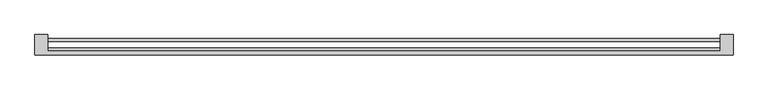
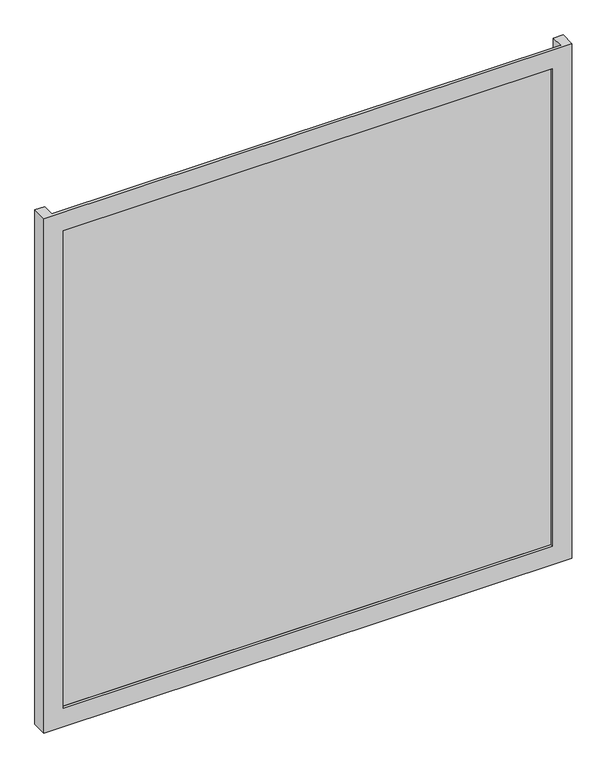
"""IFC4 building model written with IfcOpenShell, lengths in millimetres: plate geometry."""

from ifc_helpers import new_model, si_unit, origin, origin_with_axes, place, context, project, spatial, polyline, outline, extrude, faceted_brep, source, transform, mapped, element, save


def plate_339e4ba4(model_context):
    return source(origin(), model_context, "Body", "SolidModel", [
        faceted_brep([(675.0, -50.8, -50.0), (675.0, -89.8, -50.0), (-675.0, -89.8, -50.0), (-675.0, -50.8, -50.0), (-650.0, -50.8, -50.0), (-650.0, -82.8, -50.0), (650.0, -82.8, -50.0), (650.0, -50.8, -50.0), (625.0, -89.8, 0.0), (625.0, -82.8, 0.0), (-625.0, -82.8, 0.0), (-625.0, -89.8, 0.0), (675.0, -89.8, 1340.0), (-675.0, -89.8, 1340.0), (-625.0, -89.8, 1290.0), (625.0, -89.8, 1290.0), (-650.0, -82.8, 1340.0), (650.0, -82.8, 1340.0), (625.0, -82.8, 1290.0), (-625.0, -82.8, 1290.0), (675.0, -50.8, 1340.0), (650.0, -50.8, 1340.0), (-650.0, -50.8, 1340.0), (-675.0, -50.8, 1340.0)], [[[0, 1, 2, 3, 4, 5, 6, 7]], [[8, 9, 10, 11]], [[12, 13, 2, 1], [11, 14, 15, 8]], [[16, 17, 6, 5], [9, 18, 19, 10]], [[20, 21, 17, 16, 22, 23, 13, 12]], [[20, 0, 7, 21]], [[21, 7, 6, 17]], [[8, 15, 18, 9]], [[12, 1, 0, 20]], [[22, 4, 3, 23]], [[16, 5, 4, 22]], [[10, 19, 14, 11]], [[23, 3, 2, 13]], [[18, 15, 14, 19]]]),
        extrude(outline(polyline([(650.0, -76.8), (650.0, -82.8), (-650.0, -82.8), (-650.0, -76.8), (650.0, -76.8)])), origin_with_axes(), (0.0, 0.0, 1.0), 1290.0),
        extrude(outline(polyline([(650.0, -64.2), (-650.0, -64.2), (-650.0, -57.8), (650.0, -57.8), (650.0, -64.2)])), origin_with_axes(), (0.0, 0.0, 1.0), 1290.0),
    ])


if __name__ == "__main__":
    model = new_model("IFC4")
    model_context = context("Model", 3, world=origin())
    ifc_project = project(units=[si_unit("LENGTHUNIT", "METRE", prefix="MILLI")], contexts=[model_context])
    site = spatial("IfcSite", under=ifc_project)
    building = spatial("IfcBuilding", under=site)
    placement = place(None, origin())
    plate_shape = plate_339e4ba4(model_context)
    element("IfcPlate", 1, at=placement, inside=building, context=model_context, shape_type="MappedRepresentation", body=[
        mapped(plate_shape, transform((0.0, 0.0, 0.0), x_axis=(1.0, 0.0, 0.0), y_axis=(0.0, 1.0, 0.0), z_axis=(0.0, 0.0, 1.0))),
    ])
    save(model, "model.ifc")
